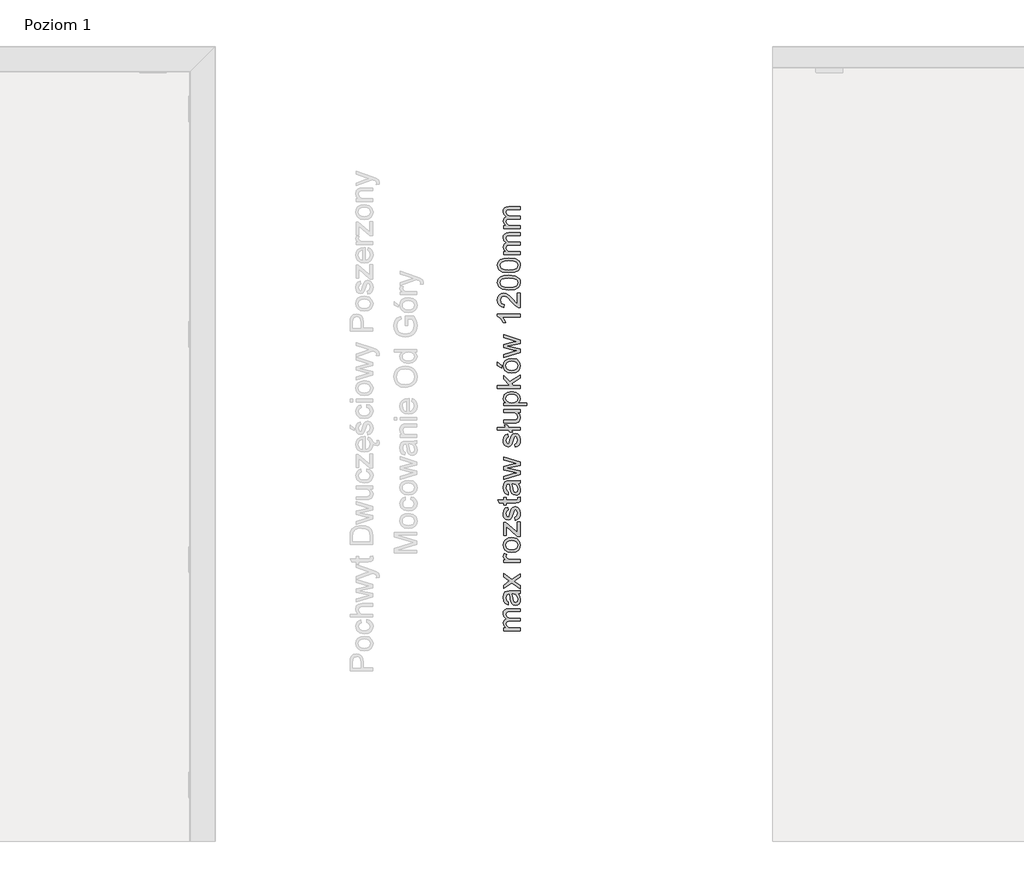
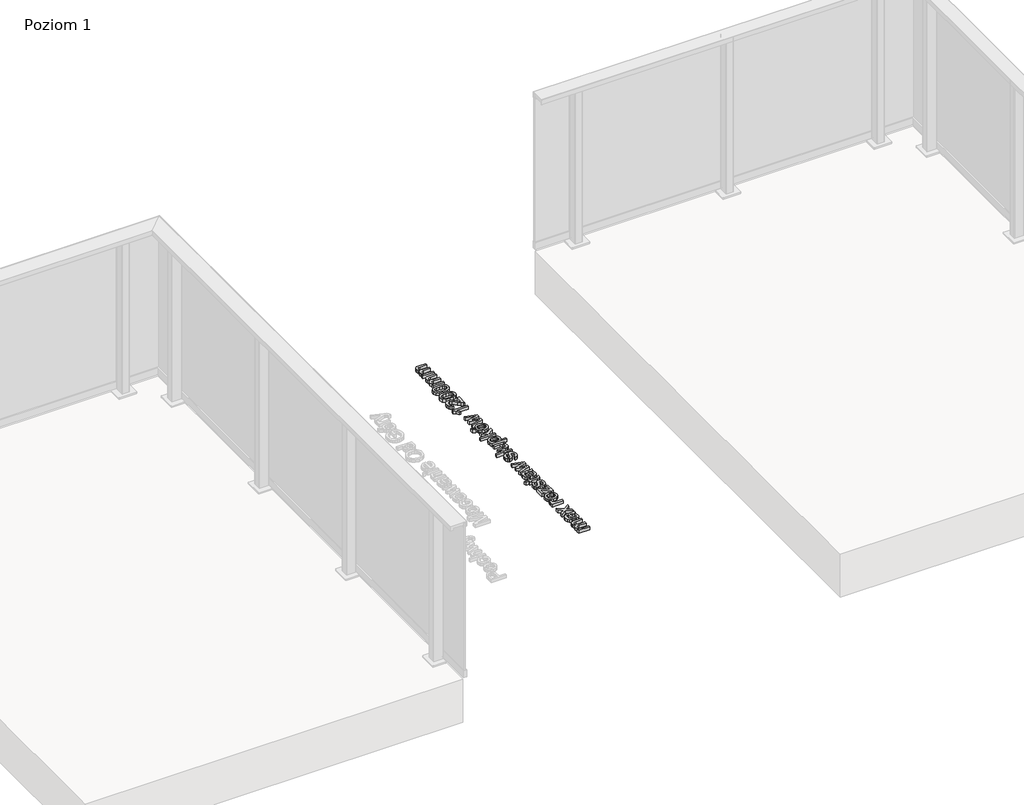
# One storey, part 13 of 35: 1 proxy.
"""IFC4 building model written with IfcOpenShell, lengths in millimetres."""

from ifc_helpers import new_model, si_unit, origin, origin_with_axes, place, context, project, spatial, polyline, outline, extrude, element, save

model = new_model("IFC4")

# Units and contexts
model_context = context("Model", 3, world=origin())
ifc_project = project(units=[si_unit("LENGTHUNIT", "METRE", prefix="MILLI")], contexts=[model_context])

# Site, building, storey
site = spatial("IfcSite", under=ifc_project)
building = spatial("IfcBuilding", under=site)
storey = spatial("IfcBuildingStorey", under=building, Name="Poziom 1", Elevation=0.0)

# Proxy
placement = place(None, origin())
element("IfcBuildingElementProxy", 1, Name="Generic Models", at=placement, inside=storey, context=model_context, shape_type="SweptSolid", body=[
    extrude(outline(polyline([(15769.7173752, -13695.0976583), (15695.9447724, -13695.0976583), (15695.9447724, -13682.5406196), (15708.0848783, -13682.5406196), (15698.1398017, -13673.9076554), (15694.3751426, -13661.6203968), (15698.2133781, -13649.0388325), (15708.9677951, -13642.122651), (15698.0233057, -13632.3247272), (15694.3751426, -13619.9516294), (15695.8926558, -13610.5123906), (15700.4451955, -13603.5318297), (15708.155389, -13599.2184133), (15719.1458636, -13597.7806079), (15769.7173752, -13597.7806079), (15769.7173752, -13610.3376466), (15724.5414662, -13610.3376466), (15714.0568293, -13611.5026063), (15708.8942187, -13615.7209865), (15706.9321813, -13622.8946854), (15711.959902, -13635.2432577), (15718.5020701, -13638.9312747), (15728.0731333, -13640.1606137), (15769.7173752, -13640.1606137), (15769.7173752, -13652.7176525), (15723.1435146, -13652.7176525), (15710.9788833, -13655.6239202), (15706.9321813, -13665.1520639), (15709.6299826, -13674.4472157), (15717.5271828, -13680.6276332), (15732.5122427, -13682.5406196), (15769.7173752, -13682.5406196), (15769.7173752, -13695.0976583)])), origin_with_axes(), (0.0, 0.0, 1.0), 20.0),
    extrude(outline(polyline([(15760.2995961, -13531.8561543), (15768.8099329, -13544.0330484), (15771.287005, -13557.4852667), (15769.797083, -13567.9791006), (15765.3273167, -13575.7199509), (15758.5398939, -13580.4932198), (15750.0970021, -13582.0843094), (15740.1641882, -13579.6808137), (15732.9537011, -13573.3655061), (15728.8334228, -13564.5731264), (15726.9449619, -13553.7083448), (15722.6284798, -13531.9297307), (15719.8325766, -13531.8561543), (15710.5619504, -13535.3142451), (15706.9321813, -13549.195659), (15709.3479398, -13561.8998506), (15717.9195903, -13567.9576408), (15716.3499604, -13580.5146796), (15704.0872273, -13575.0822888), (15696.9012656, -13564.1439308), (15694.3751426, -13547.5769783), (15696.60696, -13532.3589264), (15702.2110291, -13523.7627504), (15710.7336286, -13519.9122522), (15721.7210376, -13519.2991156), (15737.3437596, -13519.2991156), (15759.1591619, -13518.6614534), (15769.7173752, -13516.1598559), (15769.7173752, -13528.7168946), (15760.2995961, -13531.8561543)]), holes=[polyline([(15735.1855186, -13531.8561543), (15739.0360168, -13552.1141895), (15741.0716305, -13562.9176575), (15744.3825685, -13567.810488), (15749.2140853, -13569.5272706), (15756.0076395, -13565.787137), (15758.7299663, -13554.8119908), (15755.7255966, -13542.1077993), (15748.4537959, -13533.9162935), (15738.7417112, -13531.9297307), (15735.1855186, -13531.8561543)])]), origin_with_axes(), (0.0, 0.0, 1.0), 20.0),
    extrude(outline(polyline([(15769.7173752, -13509.8813365), (15732.6348701, -13483.0504763), (15695.9447724, -13508.3117066), (15695.9447724, -13493.2040194), (15713.6031082, -13481.0148626), (15721.9417668, -13475.3249544), (15715.1236871, -13470.3953357), (15695.9447724, -13456.5139217), (15695.9447724, -13441.4062344), (15732.6348701, -13467.942789), (15769.7173752, -13442.3872531), (15769.7173752, -13457.4949404), (15747.4237263, -13472.8724078), (15743.3524989, -13475.6928364), (15769.7173752, -13494.7736492), (15769.7173752, -13509.8813365)])), origin_with_axes(), (0.0, 0.0, 1.0), 20.0),
    extrude(outline(polyline([(15769.7173752, -13392.159098), (15695.9447724, -13392.159098), (15695.9447724, -13381.1716891), (15706.858605, -13381.1716891), (15696.8031637, -13373.3725908), (15694.3751426, -13365.5244416), (15698.2501663, -13352.9183519), (15709.5073553, -13357.1122066), (15706.9321813, -13365.9413745), (15709.4092535, -13373.041497), (15716.276384, -13377.5664456), (15730.9426129, -13379.6020593), (15769.7173752, -13379.6020593), (15769.7173752, -13392.159098)])), origin_with_axes(), (0.0, 0.0, 1.0), 20.0),
    extrude(outline(polyline([(15732.8310738, -13348.2094623), (15715.0439793, -13345.4932669), (15702.5421229, -13337.3446807), (15696.4168877, -13327.2769768), (15694.3751426, -13315.2227101), (15696.8614117, -13302.0310749), (15704.3202192, -13291.4943214), (15716.1629537, -13284.587337), (15731.8010042, -13282.2850088), (15754.1437041, -13286.3562362), (15766.786582, -13298.2142992), (15771.287005, -13315.2227101), (15768.8099329, -13328.5737608), (15761.3787166, -13339.0982516), (15749.2876617, -13345.9316596), (15732.8310738, -13348.2094623)]), holes=[polyline([(15732.8065483, -13335.6524236), (15744.1710363, -13334.1992897), (15752.2675059, -13329.839888), (15757.1143512, -13323.2793258), (15758.7299663, -13315.2227101), (15757.1051541, -13307.2028826), (15752.2307177, -13300.6545831), (15744.0269492, -13296.2951815), (15732.4141409, -13294.8420476), (15721.3807467, -13296.3043785), (15713.3946417, -13300.6913713), (15708.5477964, -13307.2488679), (15706.9321813, -13315.2227101), (15708.5416651, -13323.2793258), (15713.3701163, -13329.839888), (15721.4481917, -13334.1992897), (15732.8065483, -13335.6524236)])]), origin_with_axes(), (0.0, 0.0, 1.0), 20.0),
    extrude(outline(polyline([(15769.7173752, -13276.0064894), (15757.8961004, -13276.0064894), (15708.5018112, -13232.6699904), (15708.5018112, -13245.4968093), (15708.5018112, -13272.8672297), (15695.9447724, -13272.8672297), (15695.9447724, -13214.7909254), (15706.6133503, -13214.7909254), (15750.4403586, -13253.2223312), (15757.1603364, -13259.1084431), (15757.1603364, -13244.589367), (15757.1603364, -13213.2212956), (15769.7173752, -13213.2212956), (15769.7173752, -13276.0064894)])), origin_with_axes(), (0.0, 0.0, 1.0), 20.0),
    extrude(outline(polyline([(15747.7425573, -13205.3731463), (15746.1729275, -13192.8161076), (15755.4926047, -13187.003572), (15758.7299663, -13173.6862438), (15755.7623848, -13160.8839504), (15748.7971524, -13156.7146211), (15743.1562951, -13160.9084759), (15739.5755771, -13173.8333966), (15733.4319477, -13192.7425312), (15726.2582488, -13200.9953506), (15716.1292312, -13203.8035165), (15706.7727658, -13201.5471736), (15699.6235924, -13195.3912815), (15695.9079842, -13187.4082422), (15694.3751426, -13176.6047743), (15696.8399519, -13161.3254088), (15703.5108788, -13151.6133241), (15714.7803306, -13147.296842), (15716.3499604, -13159.8538808), (15709.4215162, -13164.5750331), (15706.9321813, -13175.6237557), (15709.3111516, -13187.6412342), (15714.853907, -13191.2464777), (15718.5082015, -13189.7504243), (15721.2795792, -13185.0660602), (15723.952855, -13174.2503296), (15729.8634924, -13155.8194416), (15736.5589447, -13147.2600538), (15747.4727772, -13144.1575823), (15759.4902557, -13147.7996141), (15768.209059, -13158.3087764), (15771.287005, -13173.8579221), (15769.8032143, -13186.5191941), (15765.3518422, -13195.7591635), (15757.9819395, -13201.9273183), (15747.7425573, -13205.3731463)])), origin_with_axes(), (0.0, 0.0, 1.0), 20.0),
    extrude(outline(polyline([(15759.2450011, -13103.3472063), (15770.0852572, -13101.7775765), (15771.287005, -13111.1708301), (15769.2023404, -13121.6922552), (15763.7331614, -13126.940705), (15749.4838655, -13128.4612839), (15708.5018112, -13128.4612839), (15708.5018112, -13137.879063), (15695.9447724, -13137.879063), (15695.9447724, -13128.4612839), (15678.0166565, -13128.4612839), (15670.6344912, -13115.9042451), (15695.9447724, -13115.9042451), (15695.9447724, -13103.3472063), (15708.5018112, -13103.3472063), (15708.5018112, -13115.9042451), (15749.1159835, -13115.9042451), (15755.5907066, -13115.2420575), (15757.8838377, -13113.0960792), (15758.7299663, -13108.8163853), (15759.2450011, -13103.3472063)])), origin_with_axes(), (0.0, 0.0, 1.0), 20.0),
    extrude(outline(polyline([(15760.2995961, -13043.7012722), (15768.8099329, -13055.8781662), (15771.287005, -13069.3303845), (15769.797083, -13079.8242184), (15765.3273167, -13087.5650688), (15758.5398939, -13092.3383376), (15750.0970021, -13093.9294273), (15740.1641882, -13091.5259316), (15732.9537011, -13085.210624), (15728.8334228, -13076.4182443), (15726.9449619, -13065.5534627), (15722.6284798, -13043.7748486), (15719.8325766, -13043.7012722), (15710.5619504, -13047.1593629), (15706.9321813, -13061.0407769), (15709.3479398, -13073.7449685), (15717.9195903, -13079.8027587), (15716.3499604, -13092.3597974), (15704.0872273, -13086.9274066), (15696.9012656, -13075.9890486), (15694.3751426, -13059.4220961), (15696.60696, -13044.2040443), (15702.2110291, -13035.6078683), (15710.7336286, -13031.7573701), (15721.7210376, -13031.1442334), (15737.3437596, -13031.1442334), (15759.1591619, -13030.5065713), (15769.7173752, -13028.0049737), (15769.7173752, -13040.5620125), (15760.2995961, -13043.7012722)]), holes=[polyline([(15735.1855186, -13043.7012722), (15739.0360168, -13063.9593074), (15741.0716305, -13074.7627753), (15744.3825685, -13079.6556059), (15749.2140853, -13081.3723885), (15756.0076395, -13077.6322549), (15758.7299663, -13066.6571087), (15755.7255966, -13053.9529171), (15748.4537959, -13045.7614114), (15738.7417112, -13043.7748486), (15735.1855186, -13043.7012722)])]), origin_with_axes(), (0.0, 0.0, 1.0), 20.0),
    extrude(outline(polyline([(15769.7173752, -13001.6400974), (15695.9447724, -13024.0808991), (15695.9447724, -13011.033351), (15738.9869659, -12998.304634), (15754.3644333, -12994.5031867), (15739.5510516, -12991.3884525), (15695.9447724, -12981.2594349), (15695.9447724, -12966.2989004), (15739.4284243, -12956.2189337), (15752.8438543, -12953.447556), (15738.6926603, -12949.4744305), (15695.9447724, -12936.721188), (15695.9447724, -12923.624589), (15769.7173752, -12946.2370689), (15769.7173752, -12961.4183326), (15726.4544526, -12971.0568409), (15712.9654461, -12973.852744), (15769.7173752, -12986.2871555), (15769.7173752, -13001.6400974)])), origin_with_axes(), (0.0, 0.0, 1.0), 20.0),
    extrude(outline(polyline([(15747.7425573, -12880.4597682), (15746.1729275, -12867.9027294), (15755.4926047, -12862.0901939), (15758.7299663, -12848.7728657), (15755.7623848, -12835.9705723), (15748.7971524, -12831.801243), (15743.1562951, -12835.9950977), (15739.5755771, -12848.9200185), (15733.4319477, -12867.829153), (15726.2582488, -12876.0819725), (15716.1292312, -12878.8901384), (15706.7727658, -12876.6337955), (15699.6235924, -12870.4779034), (15695.9079842, -12862.4948641), (15694.3751426, -12851.6913962), (15696.8399519, -12836.4120306), (15703.5108788, -12826.699946), (15714.7803306, -12822.3834639), (15716.3499604, -12834.9405027), (15709.4215162, -12839.6616549), (15706.9321813, -12850.7103775), (15709.3111516, -12862.727856), (15714.853907, -12866.3330996), (15718.5082015, -12864.8370461), (15721.2795792, -12860.1526821), (15723.952855, -12849.3369514), (15729.8634924, -12830.9060635), (15736.5589447, -12822.3466757), (15747.4727772, -12819.2442042), (15759.4902557, -12822.886236), (15768.209059, -12833.3953983), (15771.287005, -12848.9445439), (15769.8032143, -12861.6058159), (15765.3518422, -12870.8457854), (15757.9819395, -12877.0139402), (15747.7425573, -12880.4597682)])), origin_with_axes(), (0.0, 0.0, 1.0), 20.0),
    extrude(outline(polyline([(15730.0106452, -12805.1175356), (15737.5399633, -12814.5353147), (15723.4132947, -12814.5353147), (15715.8839766, -12805.1175356), (15669.261065, -12805.1175356), (15669.261065, -12792.5604968), (15705.8285354, -12792.5604968), (15698.2992172, -12783.1427177), (15712.4258858, -12783.1427177), (15719.955204, -12792.5604968), (15769.7173752, -12792.5604968), (15769.7173752, -12805.1175356), (15730.0106452, -12805.1175356)])), origin_with_axes(), (0.0, 0.0, 1.0), 20.0),
    extrude(outline(polyline([(15769.7173752, -12726.6360433), (15757.0377091, -12726.6360433), (15767.7246811, -12736.4707553), (15771.287005, -12749.2975742), (15768.7854075, -12761.1065862), (15762.5068881, -12769.2490411), (15753.2607873, -12772.9891747), (15741.5866653, -12773.7249387), (15695.9447724, -12773.7249387), (15695.9447724, -12761.1678999), (15735.6760279, -12761.1678999), (15748.4783213, -12760.4076104), (15755.9953768, -12755.4412035), (15758.7299663, -12746.0847381), (15755.9340631, -12735.6001012), (15748.3189058, -12728.671657), (15734.3271273, -12726.6360433), (15695.9447724, -12726.6360433), (15695.9447724, -12714.0790045), (15769.7173752, -12714.0790045), (15769.7173752, -12726.6360433)])), origin_with_axes(), (0.0, 0.0, 1.0), 20.0),
    extrude(outline(polyline([(15797.9707124, -12696.8130762), (15695.9447724, -12696.8130762), (15695.9447724, -12684.2560374), (15708.2565565, -12684.2560374), (15697.8454961, -12675.5740224), (15694.3751426, -12663.8508494), (15699.2311849, -12647.9338218), (15712.9163951, -12637.5350241), (15732.2669881, -12634.0278824), (15752.6108624, -12637.9887452), (15766.4677509, -12649.4911889), (15771.287005, -12665.3714284), (15768.0619062, -12676.2975236), (15759.9071887, -12684.2560374), (15797.9707124, -12684.2560374), (15797.9707124, -12696.8130762)]), holes=[polyline([(15733.419685, -12684.2560374), (15744.6768741, -12682.8979397), (15752.5495488, -12678.8236466), (15757.1848619, -12672.8118417), (15758.7299663, -12665.6412085), (15757.1296796, -12658.3540793), (15752.3288196, -12652.1889902), (15744.1679706, -12647.9859384), (15732.4877173, -12646.5849211), (15721.2918419, -12647.9522159), (15713.3088026, -12652.0541001), (15708.5263367, -12658.056708), (15706.9321813, -12665.1261737), (15708.6275042, -12672.2232305), (15713.7134728, -12678.4557647), (15722.0306716, -12682.8059692), (15733.419685, -12684.2560374)])]), origin_with_axes(), (0.0, 0.0, 1.0), 20.0),
    extrude(outline(polyline([(15769.7173752, -12619.9012138), (15669.261065, -12619.9012138), (15669.261065, -12607.344175), (15723.2416165, -12607.344175), (15695.9447724, -12579.1889396), (15695.9447724, -12561.8249094), (15723.584973, -12590.3235013), (15769.7173752, -12560.2552796), (15769.7173752, -12574.9215085), (15732.316039, -12599.3243475), (15740.0906118, -12607.344175), (15769.7173752, -12607.344175), (15769.7173752, -12619.9012138)])), origin_with_axes(), (0.0, 0.0, 1.0), 20.0),
    extrude(outline(polyline([(15732.8310738, -12552.4071304), (15715.0439793, -12549.690935), (15702.5421229, -12541.5423488), (15696.4168877, -12531.4746448), (15694.3751426, -12519.4203781), (15696.8614117, -12506.2287429), (15704.3202192, -12495.6919894), (15716.1629537, -12488.785005), (15731.8010042, -12486.4826768), (15754.1437041, -12490.5539042), (15766.786582, -12502.4119672), (15771.287005, -12519.4203781), (15768.8099329, -12532.7714289), (15761.3787166, -12543.2959196), (15749.2876617, -12550.1293277), (15732.8310738, -12552.4071304)]), holes=[polyline([(15732.8065483, -12539.8500916), (15744.1710363, -12538.3969577), (15752.2675059, -12534.0375561), (15757.1143512, -12527.4769938), (15758.7299663, -12519.4203781), (15757.1051541, -12511.4005506), (15752.2307177, -12504.8522511), (15744.0269492, -12500.4928495), (15732.4141409, -12499.0397156), (15721.3807467, -12500.5020465), (15713.3946417, -12504.8890393), (15708.5477964, -12511.4465359), (15706.9321813, -12519.4203781), (15708.5416651, -12527.4769938), (15713.3701163, -12534.0375561), (15721.4481917, -12538.3969577), (15732.8065483, -12539.8500916)])]), origin_with_axes(), (0.0, 0.0, 1.0), 20.0),
    extrude(outline(polyline([(15688.0966232, -12528.8626827), (15669.261065, -12519.4449036), (15669.261065, -12503.7486051), (15688.0966232, -12519.4449036), (15688.0966232, -12528.8626827)])), origin_with_axes(), (0.0, 0.0, 1.0), 20.0),
    extrude(outline(polyline([(15769.7173752, -12460.1178005), (15695.9447724, -12482.5586022), (15695.9447724, -12469.5110541), (15738.9869659, -12456.7823371), (15754.3644333, -12452.9808898), (15739.5510516, -12449.8661556), (15695.9447724, -12439.737138), (15695.9447724, -12424.7766035), (15739.4284243, -12414.6966368), (15752.8438543, -12411.9252591), (15738.6926603, -12407.9521336), (15695.9447724, -12395.1988911), (15695.9447724, -12382.1022921), (15769.7173752, -12404.714772), (15769.7173752, -12419.8960357), (15726.4544526, -12429.534544), (15712.9654461, -12432.3304471), (15769.7173752, -12444.7648586), (15769.7173752, -12460.1178005)])), origin_with_axes(), (0.0, 0.0, 1.0), 20.0),
    extrude(outline(polyline([(15769.7173752, -12290.2789461), (15769.7173752, -12302.8359848), (15691.4320866, -12302.8359848), (15699.9056352, -12314.730836), (15706.2454683, -12327.9500624), (15694.3751426, -12327.9500624), (15682.6274442, -12309.5436999), (15669.261065, -12298.37235), (15669.261065, -12290.2789461), (15769.7173752, -12290.2789461)])), origin_with_axes(), (0.0, 0.0, 1.0), 20.0),
    extrude(outline(polyline([(15757.1603364, -12196.1011553), (15769.7173752, -12196.1011553), (15769.7173752, -12262.0256088), (15761.0598856, -12260.6767082), (15747.7302946, -12253.0492882), (15733.1744303, -12237.3284642), (15712.2542075, -12215.647952), (15698.0294371, -12210.2278239), (15686.5147306, -12215.3413837), (15681.8181038, -12228.6955001), (15686.404366, -12242.6137022), (15699.0840321, -12247.8989402), (15697.5144023, -12260.455979), (15685.3681651, -12257.4117555), (15676.4960776, -12250.8297335), (15671.0698182, -12241.0532694), (15669.261065, -12228.42572), (15671.2721533, -12215.7062), (15677.305418, -12205.94813), (15686.3185269, -12199.7401214), (15697.2691476, -12197.6707852), (15709.1762615, -12199.9026026), (15721.4880456, -12207.3215562), (15738.6926603, -12225.3109857), (15750.7714524, -12239.7564854), (15757.1603364, -12245.4218681), (15757.1603364, -12196.1011553)])), origin_with_axes(), (0.0, 0.0, 1.0), 20.0),
    extrude(outline(polyline([(15720.2985605, -12183.5441165), (15691.3952984, -12179.8530339), (15674.730244, -12168.8901504), (15669.261065, -12150.5818898), (15672.4984266, -12135.9156609), (15681.8303665, -12125.7866433), (15696.6927992, -12119.9005314), (15720.2985605, -12117.619663), (15749.0791953, -12121.2739575), (15765.7810378, -12132.2000527), (15769.9105132, -12140.4314124), (15771.287005, -12150.5818898), (15768.8957721, -12163.6294379), (15761.7220732, -12173.5377263), (15744.7320564, -12181.042519), (15720.2985605, -12183.5441165)]), holes=[polyline([(15720.274035, -12170.9870778), (15740.0262325, -12169.5155498), (15751.4581655, -12165.1009658), (15756.9120161, -12158.5281409), (15758.7299663, -12150.5818898), (15756.9058847, -12142.6356387), (15751.43364, -12136.0628137), (15739.9955757, -12131.6482298), (15720.274035, -12130.1767018), (15700.9663617, -12131.5991788), (15689.4455238, -12135.86661), (15683.7249588, -12142.4271722), (15681.8181038, -12150.7290426), (15683.4980983, -12158.5894545), (15688.5380816, -12164.9047621), (15700.7762893, -12169.4664989), (15720.274035, -12170.9870778)])]), origin_with_axes(), (0.0, 0.0, 1.0), 20.0),
    extrude(outline(polyline([(15720.2985605, -12106.6322541), (15691.3952984, -12102.9411714), (15674.730244, -12091.9782879), (15669.261065, -12073.6700273), (15672.4984266, -12059.0037984), (15681.8303665, -12048.8747808), (15696.6927992, -12042.9886689), (15720.2985605, -12040.7078005), (15749.0791953, -12044.362095), (15765.7810378, -12055.2881903), (15769.9105132, -12063.5195499), (15771.287005, -12073.6700273), (15768.8957721, -12086.7175754), (15761.7220732, -12096.6258638), (15744.7320564, -12104.1306565), (15720.2985605, -12106.6322541)]), holes=[polyline([(15720.274035, -12094.0752153), (15740.0262325, -12092.6036873), (15751.4581655, -12088.1891034), (15756.9120161, -12081.6162784), (15758.7299663, -12073.6700273), (15756.9058847, -12065.7237762), (15751.43364, -12059.1509512), (15739.9955757, -12054.7363673), (15720.274035, -12053.2648393), (15700.9663617, -12054.6873164), (15689.4455238, -12058.9547475), (15683.7249588, -12065.5153098), (15681.8181038, -12073.8171801), (15683.4980983, -12081.6775921), (15688.5380816, -12087.9928997), (15700.7762893, -12092.5546364), (15720.274035, -12094.0752153)])]), origin_with_axes(), (0.0, 0.0, 1.0), 20.0),
    extrude(outline(polyline([(15769.7173752, -12026.5811319), (15695.9447724, -12026.5811319), (15695.9447724, -12014.0240932), (15708.0848783, -12014.0240932), (15698.1398017, -12005.391129), (15694.3751426, -11993.1038704), (15698.2133781, -11980.5223061), (15708.9677951, -11973.6061246), (15698.0233057, -11963.8082008), (15694.3751426, -11951.435103), (15695.8926558, -11941.9958642), (15700.4451955, -11935.0153033), (15708.155389, -11930.7018869), (15719.1458636, -11929.2640815), (15769.7173752, -11929.2640815), (15769.7173752, -11941.8211202), (15724.5414662, -11941.8211202), (15714.0568293, -11942.9860799), (15708.8942187, -11947.2044601), (15706.9321813, -11954.378159), (15711.959902, -11966.7267313), (15718.5020701, -11970.4147483), (15728.0731333, -11971.6440873), (15769.7173752, -11971.6440873), (15769.7173752, -11984.2011261), (15723.1435146, -11984.2011261), (15710.9788833, -11987.1073938), (15706.9321813, -11996.6355375), (15709.6299826, -12005.9306893), (15717.5271828, -12012.1111068), (15732.5122427, -12014.0240932), (15769.7173752, -12014.0240932), (15769.7173752, -12026.5811319)])), origin_with_axes(), (0.0, 0.0, 1.0), 20.0),
    extrude(outline(polyline([(15769.7173752, -11910.4285233), (15695.9447724, -11910.4285233), (15695.9447724, -11897.8714846), (15708.0848783, -11897.8714846), (15698.1398017, -11889.2385204), (15694.3751426, -11876.9512618), (15698.2133781, -11864.3696975), (15708.9677951, -11857.453516), (15698.0233057, -11847.6555922), (15694.3751426, -11835.2824944), (15695.8926558, -11825.8432556), (15700.4451955, -11818.8626947), (15708.155389, -11814.5492783), (15719.1458636, -11813.1114729), (15769.7173752, -11813.1114729), (15769.7173752, -11825.6685116), (15724.5414662, -11825.6685116), (15714.0568293, -11826.8334713), (15708.8942187, -11831.0518515), (15706.9321813, -11838.2255504), (15711.959902, -11850.5741227), (15718.5020701, -11854.2621397), (15728.0731333, -11855.4914787), (15769.7173752, -11855.4914787), (15769.7173752, -11868.0485175), (15723.1435146, -11868.0485175), (15710.9788833, -11870.9547852), (15706.9321813, -11880.4829289), (15709.6299826, -11889.7780807), (15717.5271828, -11895.9584982), (15732.5122427, -11897.8714846), (15769.7173752, -11897.8714846), (15769.7173752, -11910.4285233)])), origin_with_axes(), (0.0, 0.0, 1.0), 20.0),
])

save(model, "model.ifc")
